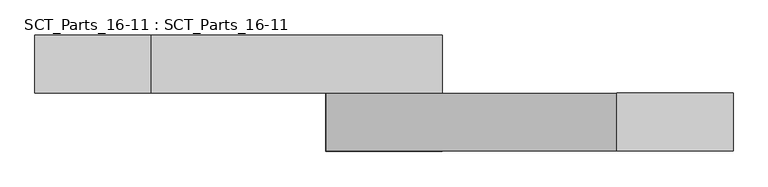
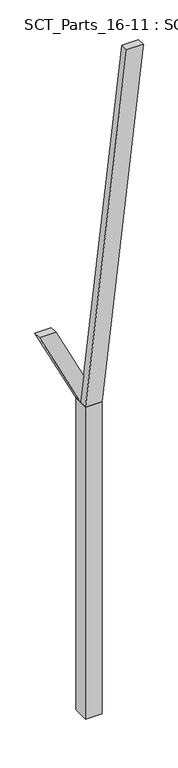
"""IFC4 building model written with IfcOpenShell, lengths in millimetres: proxy geometry, SCT_Parts_16-11 : SCT_Parts_16-11."""

from ifc_helpers import new_model, si_unit, frame, origin, origin_with_axes, place, context, project, spatial, polyline, outline, extrude, source, transform, mapped, element, save


def sct_parts_16_11_sct_parts_16_11_0d3603b6(model_context):
    return source(origin(), model_context, "Body", "SweptSolid", [
        extrude(outline(polyline([(4000.0, 200.0), (8400.0, 700.0), (8400.0, 500.0), (4000.0, 0.0), (4000.0, 200.0)])), frame((0.0, -200.0, 0.0), z_axis=(0.0, 1.0, 0.0), x_axis=(0.0, 0.0, 1.0)), (0.0, 0.0, 1.0), 100.0),
        extrude(outline(polyline([(4000.0, 0.0), (4000.0, 200.0), (5000.0, -300.0), (5000.0, -500.0), (4000.0, 0.0)])), frame((0.0, -100.0, 0.0), z_axis=(0.0, 1.0, 0.0), x_axis=(0.0, 0.0, 1.0)), (0.0, 0.0, 1.0), 100.0),
        extrude(outline(polyline([(200.0, -200.0), (0.0, -200.0), (0.0, 0.0), (200.0, 0.0), (200.0, -200.0)])), origin_with_axes(), (0.0, 0.0, 1.0), 4000.0),
    ])


if __name__ == "__main__":
    model = new_model("IFC4")
    model_context = context("Model", 3, world=origin())
    ifc_project = project(units=[si_unit("LENGTHUNIT", "METRE", prefix="MILLI")], contexts=[model_context])
    site = spatial("IfcSite", under=ifc_project)
    building = spatial("IfcBuilding", under=site)
    placement = place(None, origin())
    sct_parts_16_11_sct_parts_16_11_shape = sct_parts_16_11_sct_parts_16_11_0d3603b6(model_context)
    element("IfcBuildingElementProxy", 1, Name="SCT_Parts_16-11 : SCT_Parts_16-11", ObjectType="SCT_Parts_16-11 : SCT_Parts_16-11", at=placement, inside=building, context=model_context, shape_type="MappedRepresentation", body=[
        mapped(sct_parts_16_11_sct_parts_16_11_shape, transform((0.0, 0.0, 0.0), x_axis=(1.0, 0.0, 0.0), y_axis=(0.0, 1.0, 0.0), z_axis=(0.0, 0.0, 1.0))),
    ])
    save(model, "model.ifc")
